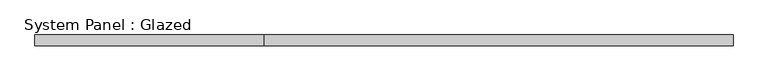
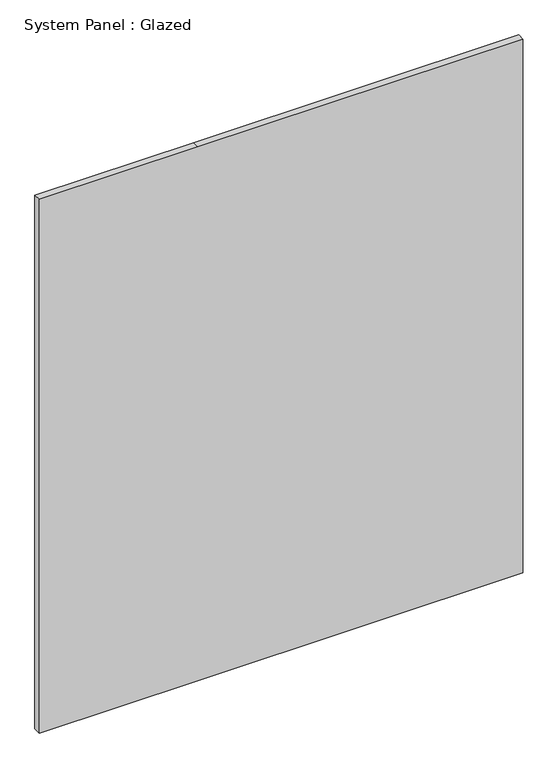
"""IFC4 building model written with IfcOpenShell, lengths in millimetres: plate geometry, System Panel : Glazed."""

from ifc_helpers import new_model, si_unit, frame, origin, place, context, project, spatial, polyline, outline, extrude, source, transform, mapped, element, save


def system_panel_glazed_534809c9(model_context):
    return source(origin(), model_context, "Body", "SweptSolid", [
        extrude(outline(polyline([(0.0, -808.6842105), (0.0, -277.8947368), (0.0, 808.6842105), (1886.6666667, 808.6842105), (1886.6666667, -277.8947368), (1886.6666667, -808.6842105), (0.0, -808.6842105)])), frame((0.0, 52.5, 0.0), z_axis=(0.0, 1.0, 0.0), x_axis=(0.0, 0.0, 1.0)), (0.0, 0.0, 1.0), 25.0),
    ])


if __name__ == "__main__":
    model = new_model("IFC4")
    model_context = context("Model", 3, world=origin())
    ifc_project = project(units=[si_unit("LENGTHUNIT", "METRE", prefix="MILLI")], contexts=[model_context])
    site = spatial("IfcSite", under=ifc_project)
    building = spatial("IfcBuilding", under=site)
    placement = place(None, origin())
    system_panel_glazed_shape = system_panel_glazed_534809c9(model_context)
    element("IfcPlate", 1, ObjectType="System Panel : Glazed", at=placement, inside=building, context=model_context, shape_type="MappedRepresentation", body=[
        mapped(system_panel_glazed_shape, transform((0.0, 0.0, 0.0), x_axis=(1.0, 0.0, 0.0), y_axis=(0.0, 1.0, 0.0), z_axis=(0.0, 0.0, 1.0))),
    ])
    save(model, "model.ifc")
